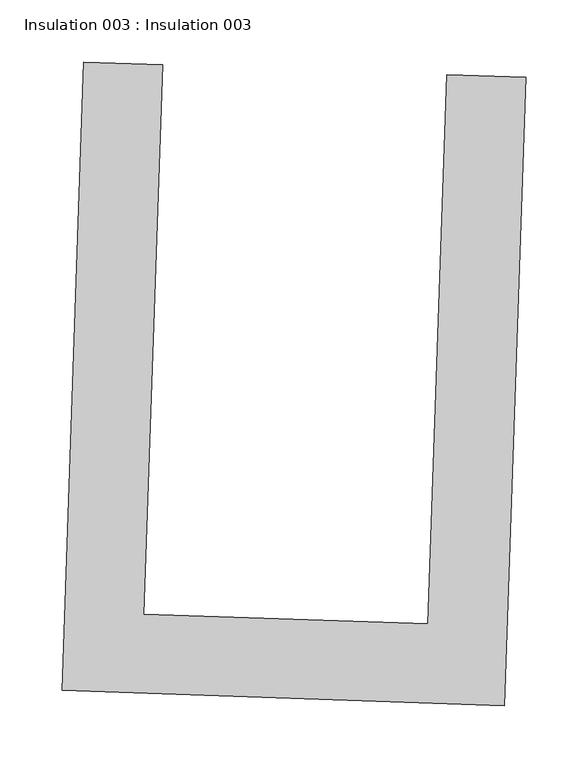
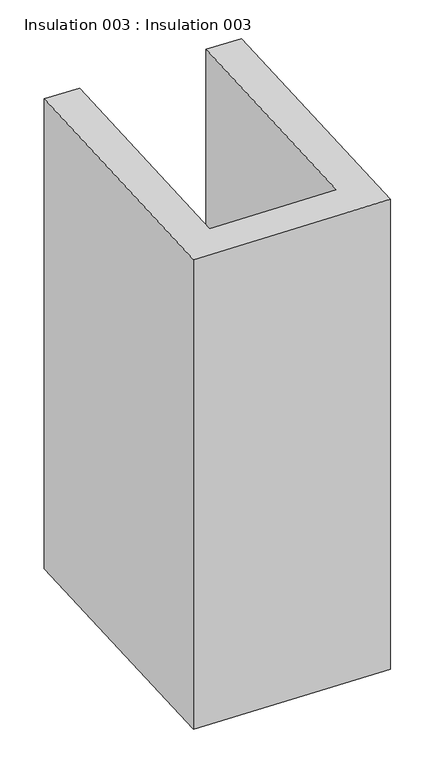
"""IFC4 building model written with IfcOpenShell, lengths in millimetres: proxy geometry, Insulation 003 : Insulation 003."""

from ifc_helpers import new_model, si_unit, frame, origin, place, context, project, spatial, polyline, outline, extrude, source, transform, mapped, element, save


def insulation_003_insulation_003_ebd7c739(model_context):
    return source(origin(), model_context, "Body", "SweptSolid", [
        extrude(outline(polyline([(34632.8218353, -15243.4936088), (34696.2846845, -15245.6654219), (34681.1905831, -15686.7322237), (34909.6568401, -15694.550751), (34924.7509415, -15253.4839492), (34988.2137907, -15255.6557624), (34970.9478761, -15760.1854135), (34615.5559206, -15748.0232597), (34632.8218353, -15243.4936088)])), frame((0.0, 0.0, 1597.975708), z_axis=(0.0, 0.0, 1.0), x_axis=(1.0, 0.0, 0.0)), (0.0, 0.0, 1.0), 911.86),
    ])


if __name__ == "__main__":
    model = new_model("IFC4")
    model_context = context("Model", 3, world=origin())
    ifc_project = project(units=[si_unit("LENGTHUNIT", "METRE", prefix="MILLI")], contexts=[model_context])
    site = spatial("IfcSite", under=ifc_project)
    building = spatial("IfcBuilding", under=site)
    placement = place(None, origin())
    insulation_003_insulation_003_shape = insulation_003_insulation_003_ebd7c739(model_context)
    element("IfcBuildingElementProxy", 1, Name="Insulation 003 : Insulation 003", ObjectType="Insulation 003 : Insulation 003", at=placement, inside=building, context=model_context, shape_type="MappedRepresentation", body=[
        mapped(insulation_003_insulation_003_shape, transform((0.0, 0.0, 0.0), x_axis=(1.0, 0.0, 0.0), y_axis=(0.0, 1.0, 0.0), z_axis=(0.0, 0.0, 1.0))),
    ])
    save(model, "model.ifc")
